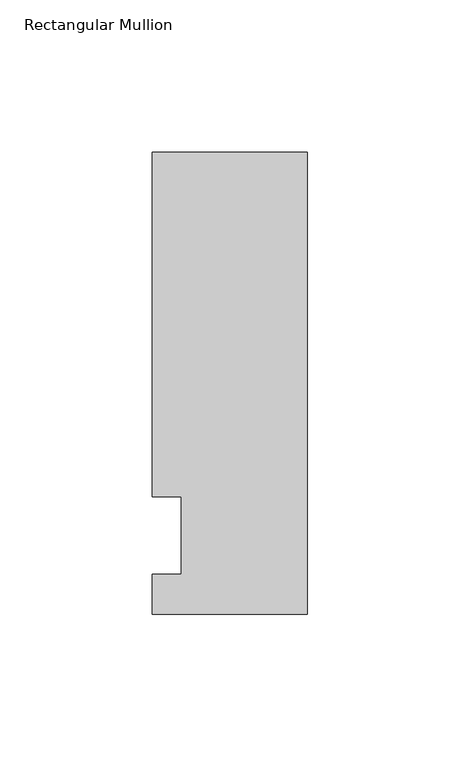
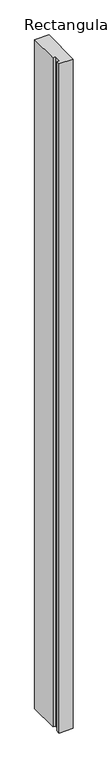
"""IFC4 building model written with IfcOpenShell, lengths in millimetres: member geometry, Rectangular Mullion."""

import ifcopenshell
import ifcopenshell.guid

model = None  # the IFC model being written
_history = None  # IfcOwnerHistory: only IFC2X3 demands one
_inside = {}  # id of a spatial element -> (the spatial element, [elements in it])
_under = {}  # id of a project, library or spatial element -> (it, [spatial elements below it])
_declared = {}  # id of a project -> (the project, [libraries it declares])
_typed = {}  # id of a type object -> (the type object, [elements of that type])
_made_of = {}  # id of a material, layer set ... -> (it, [elements and type objects made of it])


def new_model(schema):
    """Start an empty IFC model of exactly this schema.

    Asked for "IFC4X3", IfcOpenShell would pick the latest addendum, in which some entities
    have other attributes; the version numbers below select the first issue.
    IFC2X3 requires an IfcOwnerHistory on every rooted entity: one is made here for all.
    """
    global model, _history
    if schema == "IFC4X3":
        model = ifcopenshell.file(schema_version=(4, 3, 0, 0))
    else:
        model = ifcopenshell.file(schema=schema)
    _inside.clear()
    _under.clear()
    _declared.clear()
    _typed.clear()
    _made_of.clear()
    _history = None
    if model.schema == "IFC2X3":
        org = make("IfcOrganization", Name="unknown")
        user = make(
            "IfcPersonAndOrganization",
            ThePerson=make("IfcPerson", FamilyName="unknown"),
            TheOrganization=org,
        )
        app = make(
            "IfcApplication",
            ApplicationDeveloper=org,
            Version="unknown",
            ApplicationFullName="unknown",
            ApplicationIdentifier="unknown",
        )
        _history = make(
            "IfcOwnerHistory",
            OwningUser=user,
            OwningApplication=app,
            ChangeAction="ADDED",
            CreationDate=0,
        )
    return model


def make(cls, **values):
    """One entity of the class cls with the attributes given. An attribute that is None is left unset."""
    return model.create_entity(
        cls, **{name: value for name, value in values.items() if value is not None}
    )


def rooted(cls, **values):
    """An entity with a GlobalId (a new one), such as an element, a storey or a relation."""
    return make(cls, GlobalId=ifcopenshell.guid.new(), OwnerHistory=_history, **values)


def si_unit(unit_type, name, prefix=None):
    """IfcSIUnit, for example si_unit("LENGTHUNIT", "METRE", prefix="MILLI")."""
    return make("IfcSIUnit", UnitType=unit_type, Prefix=prefix, Name=name)


def assignment(units):
    """IfcUnitAssignment: the units of a project."""
    return None if units is None else make("IfcUnitAssignment", Units=units)


def point(xyz):
    """IfcCartesianPoint."""
    return None if xyz is None else make("IfcCartesianPoint", Coordinates=xyz)


def direction(xyz):
    """IfcDirection."""
    return None if xyz is None else make("IfcDirection", DirectionRatios=xyz)


def frame(location, z_axis=None, x_axis=None):
    """IfcAxis2Placement3D, a coordinate frame: its origin and axes. An axis left out is left unset."""
    return make(
        "IfcAxis2Placement3D",
        Location=point(location),
        Axis=direction(z_axis),
        RefDirection=direction(x_axis),
    )


def origin():
    """The frame at (0, 0, 0) with its axes left unset."""
    return frame((0.0, 0.0, 0.0))


def place(relative_to, where):
    """IfcLocalPlacement: puts the frame where relative to a parent placement (None: the world)."""
    return make(
        "IfcLocalPlacement", PlacementRelTo=relative_to, RelativePlacement=where
    )


def context(
    kind, dimensions, precision=None, world=None, true_north=None, identifier=None
):
    """IfcGeometricRepresentationContext, for example the 3D "Model" context."""
    return make(
        "IfcGeometricRepresentationContext",
        ContextIdentifier=identifier,
        ContextType=kind,
        CoordinateSpaceDimension=dimensions,
        Precision=precision,
        WorldCoordinateSystem=world,
        TrueNorth=true_north,
    )


def project(units=None, contexts=None):
    """IfcProject with its units and contexts."""
    return rooted(
        "IfcProject",
        Name="project",
        RepresentationContexts=contexts,
        UnitsInContext=assignment(units),
    )


def spatial(cls, under=None, at=None, **own):
    """A site, building, storey or space (cls), placed at a placement, below another one or the project."""
    s = rooted(cls, ObjectPlacement=at, **own)
    if under is not None:
        _under.setdefault(under.id(), (under, []))[1].append(s)
    return s


def polyline(points):
    """IfcPolyline through the points."""
    return make("IfcPolyline", Points=[point(p) for p in points])


def outline(outer, holes=None, kind="AREA"):
    """IfcArbitraryClosedProfileDef: a profile drawn as a closed curve; with holes, ...WithVoids."""
    if holes is None:
        return make("IfcArbitraryClosedProfileDef", ProfileType=kind, OuterCurve=outer)
    return make(
        "IfcArbitraryProfileDefWithVoids",
        ProfileType=kind,
        OuterCurve=outer,
        InnerCurves=holes,
    )


def extrude(swept, where, along, depth):
    """IfcExtrudedAreaSolid: the profile swept, set in the frame where, extruded along a direction by depth."""
    return make(
        "IfcExtrudedAreaSolid",
        SweptArea=swept,
        Position=where,
        ExtrudedDirection=direction(along),
        Depth=depth,
    )


def shape(context_of_items, identifier, shape_type, items):
    """IfcShapeRepresentation: the items that make up one representation, for example the "Body"."""
    return make(
        "IfcShapeRepresentation",
        ContextOfItems=context_of_items,
        RepresentationIdentifier=identifier,
        RepresentationType=shape_type,
        Items=items,
    )


def source(mapping_origin, context_of_items, identifier, shape_type, items):
    """IfcRepresentationMap: a shape defined once, which mapped items show again and again."""
    return make(
        "IfcRepresentationMap",
        MappingOrigin=mapping_origin,
        MappedRepresentation=shape(context_of_items, identifier, shape_type, items),
    )


def transform(
    local_origin,
    x_axis=None,
    y_axis=None,
    z_axis=None,
    scale=None,
    scale2=None,
    scale3=None,
    uniform=True,
):
    """IfcCartesianTransformationOperator3D, or its non-uniform kind. x_axis, y_axis, z_axis: its Axis1, 2, 3."""
    if uniform:
        return make(
            "IfcCartesianTransformationOperator3D",
            Axis1=direction(x_axis),
            Axis2=direction(y_axis),
            LocalOrigin=point(local_origin),
            Scale=scale,
            Axis3=direction(z_axis),
        )
    return make(
        "IfcCartesianTransformationOperator3DnonUniform",
        Axis1=direction(x_axis),
        Axis2=direction(y_axis),
        LocalOrigin=point(local_origin),
        Scale=scale,
        Axis3=direction(z_axis),
        Scale2=scale2,
        Scale3=scale3,
    )


def mapped(mapping_source, mapping_target):
    """IfcMappedItem: shows the shape of a source again, moved by a transform."""
    return make(
        "IfcMappedItem", MappingSource=mapping_source, MappingTarget=mapping_target
    )


def made_of(thing, what):
    """Note that an element or type object is made of a material, layer set ...; save() writes the relation."""
    if what is not None:
        _made_of.setdefault(what.id(), (what, []))[1].append(thing)
    return thing


def element(
    cls,
    number,
    at=None,
    inside=None,
    cuts=None,
    type_object=None,
    material=None,
    context=None,
    identifier="Body",
    shape_type=None,
    held_by="IfcProductDefinitionShape",
    body=None,
    shapes=None,
    **own,
):
    """One element of the class cls, such as IfcWall. Its Tag is "e" and its number.

    at: its placement. inside: the storey or other place that contains it. cuts: it is an
    opening in that element (IfcRelVoidsElement). A single representation is given by context,
    identifier, shape_type and body (its items); several are given by shapes. held_by: the class
    of the entity that holds the representations. save() writes the other relations.
    """
    e = rooted(cls, Tag="e%d" % number, ObjectPlacement=at, **own)
    if body is not None:
        shapes = [shape(context, identifier, shape_type, body)]
    if shapes is not None:
        e.Representation = make(held_by, Representations=shapes)
    if inside is not None:
        _inside.setdefault(inside.id(), (inside, []))[1].append(e)
    if cuts is not None:
        rooted(
            "IfcRelVoidsElement", RelatingBuildingElement=cuts, RelatedOpeningElement=e
        )
    if type_object is not None:
        _typed.setdefault(type_object.id(), (type_object, []))[1].append(e)
    return made_of(e, material)


def aggregate(whole, parts):
    """IfcRelAggregates: a whole, such as a stair, and the parts it consists of."""
    return rooted("IfcRelAggregates", RelatingObject=whole, RelatedObjects=parts)


def save(model, path):
    """Write the relations noted so far, then the file.

    IfcRelAggregates (storeys below a building ...), IfcRelContainedInSpatialStructure (elements
    in a storey), IfcRelDefinesByType, IfcRelAssociatesMaterial and IfcRelDeclares: one each for
    every whole, place, type object, material and project.
    """
    for whole, parts in _under.values():
        aggregate(whole, parts)
    for where, things in _inside.values():
        rooted(
            "IfcRelContainedInSpatialStructure",
            RelatedElements=things,
            RelatingStructure=where,
        )
    for kind, things in _typed.values():
        rooted("IfcRelDefinesByType", RelatedObjects=things, RelatingType=kind)
    for what, things in _made_of.values():
        rooted("IfcRelAssociatesMaterial", RelatedObjects=things, RelatingMaterial=what)
    for by, libraries in _declared.values():
        rooted("IfcRelDeclares", RelatingContext=by, RelatedDefinitions=libraries)
    model.write(path)


def rectangular_mullion_7d986e0b(model_context):
    return source(origin(), model_context, "Body", "SweptSolid", [
        extrude(outline(polyline([(-50.8, -25.7961253), (-50.8, -12.7), (-41.275, -12.7), (-41.275, 12.7), (-50.8, 12.7), (-50.8, 125.8036906), (0.0, 125.8036906), (0.0, -25.7961253), (-50.8, -25.7961253)])), frame((0.0, 0.0, -2540.0), z_axis=(0.0, 0.0, 1.0), x_axis=(1.0, 0.0, 0.0)), (0.0, 0.0, 1.0), 2540.0),
    ])


if __name__ == "__main__":
    model = new_model("IFC4")
    model_context = context("Model", 3, world=origin())
    ifc_project = project(units=[si_unit("LENGTHUNIT", "METRE", prefix="MILLI")], contexts=[model_context])
    site = spatial("IfcSite", under=ifc_project)
    building = spatial("IfcBuilding", under=site)
    placement = place(None, origin())
    rectangular_mullion_shape = rectangular_mullion_7d986e0b(model_context)
    element("IfcMember", 1, ObjectType="Rectangular Mullion", at=placement, inside=building, context=model_context, shape_type="MappedRepresentation", body=[
        mapped(rectangular_mullion_shape, transform((0.0, 0.0, 0.0), x_axis=(1.0, 0.0, 0.0), y_axis=(0.0, 1.0, 0.0), z_axis=(0.0, 0.0, 1.0))),
    ])
    save(model, "model.ifc")
